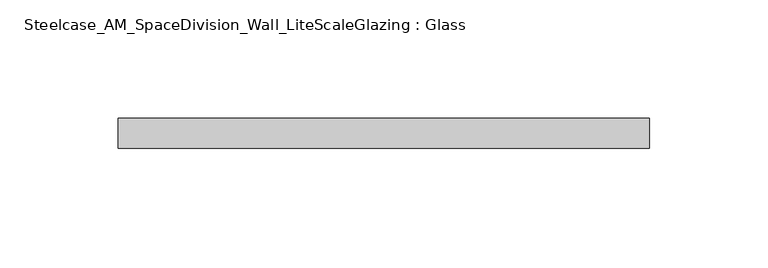
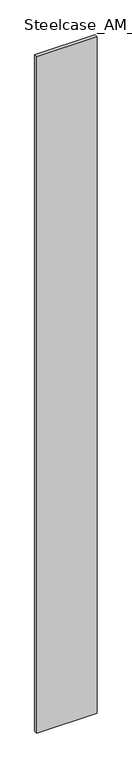
"""IFC4 building model written with IfcOpenShell, lengths in millimetres: plate geometry, Steelcase_AM_SpaceDivision_Wall_LiteScaleGlazing : Glass."""

from ifc_helpers import new_model, si_unit, origin, origin_with_axes, place, context, project, spatial, polyline, outline, extrude, source, transform, mapped, element, save


def steelcase_am_spacedivision_wall_litescaleglazing_glass_7202ab20(model_context):
    return source(origin(), model_context, "Body", "SweptSolid", [
        extrude(outline(polyline([(-112.268, -6.349956), (-112.268, 6.3502015), (112.268, 6.3502015), (112.268, -6.349956), (-112.268, -6.349956)])), origin_with_axes(), (0.0, 0.0, 1.0), 2665.984),
    ])


if __name__ == "__main__":
    model = new_model("IFC4")
    model_context = context("Model", 3, world=origin())
    ifc_project = project(units=[si_unit("LENGTHUNIT", "METRE", prefix="MILLI")], contexts=[model_context])
    site = spatial("IfcSite", under=ifc_project)
    building = spatial("IfcBuilding", under=site)
    placement = place(None, origin())
    steelcase_am_spacedivision_wall_litescaleglazing_glass_shape = steelcase_am_spacedivision_wall_litescaleglazing_glass_7202ab20(model_context)
    element("IfcPlate", 1, ObjectType="Steelcase_AM_SpaceDivision_Wall_LiteScaleGlazing : Glass", at=placement, inside=building, context=model_context, shape_type="MappedRepresentation", body=[
        mapped(steelcase_am_spacedivision_wall_litescaleglazing_glass_shape, transform((0.0, 0.0, 0.0), x_axis=(1.0, 0.0, 0.0), y_axis=(0.0, 1.0, 0.0), z_axis=(0.0, 0.0, 1.0))),
    ])
    save(model, "model.ifc")
